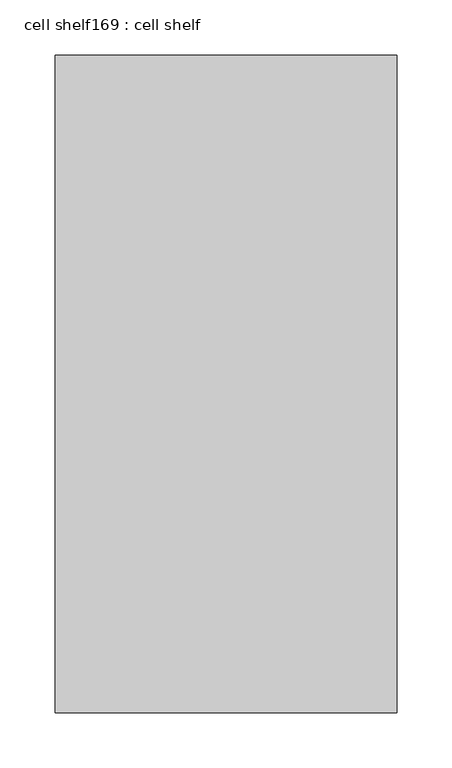
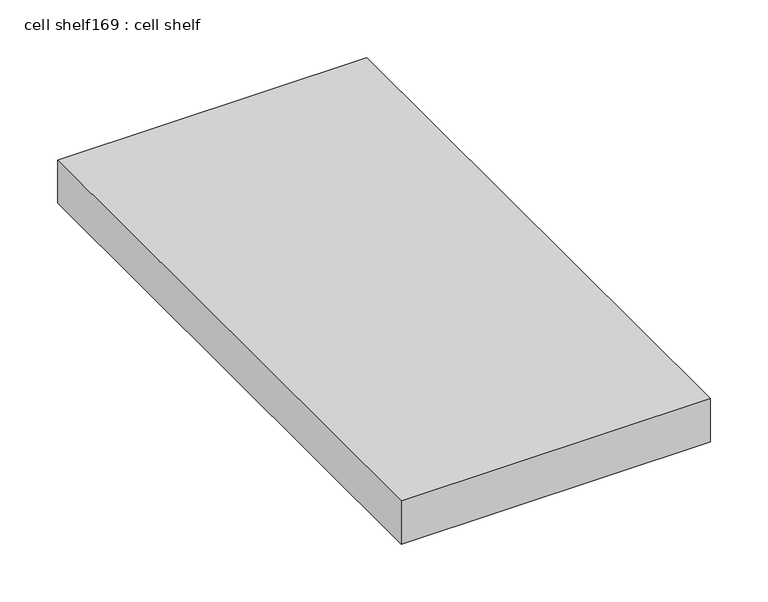
"""IFC4 building model written with IfcOpenShell, lengths in millimetres: proxy geometry, cell shelf169 : cell shelf."""

import ifcopenshell
import ifcopenshell.guid

model = None  # the IFC model being written
_history = None  # IfcOwnerHistory: only IFC2X3 demands one
_inside = {}  # id of a spatial element -> (the spatial element, [elements in it])
_under = {}  # id of a project, library or spatial element -> (it, [spatial elements below it])
_declared = {}  # id of a project -> (the project, [libraries it declares])
_typed = {}  # id of a type object -> (the type object, [elements of that type])
_made_of = {}  # id of a material, layer set ... -> (it, [elements and type objects made of it])


def new_model(schema):
    """Start an empty IFC model of exactly this schema.

    Asked for "IFC4X3", IfcOpenShell would pick the latest addendum, in which some entities
    have other attributes; the version numbers below select the first issue.
    IFC2X3 requires an IfcOwnerHistory on every rooted entity: one is made here for all.
    """
    global model, _history
    if schema == "IFC4X3":
        model = ifcopenshell.file(schema_version=(4, 3, 0, 0))
    else:
        model = ifcopenshell.file(schema=schema)
    _inside.clear()
    _under.clear()
    _declared.clear()
    _typed.clear()
    _made_of.clear()
    _history = None
    if model.schema == "IFC2X3":
        org = make("IfcOrganization", Name="unknown")
        user = make(
            "IfcPersonAndOrganization",
            ThePerson=make("IfcPerson", FamilyName="unknown"),
            TheOrganization=org,
        )
        app = make(
            "IfcApplication",
            ApplicationDeveloper=org,
            Version="unknown",
            ApplicationFullName="unknown",
            ApplicationIdentifier="unknown",
        )
        _history = make(
            "IfcOwnerHistory",
            OwningUser=user,
            OwningApplication=app,
            ChangeAction="ADDED",
            CreationDate=0,
        )
    return model


def make(cls, **values):
    """One entity of the class cls with the attributes given. An attribute that is None is left unset."""
    return model.create_entity(
        cls, **{name: value for name, value in values.items() if value is not None}
    )


def rooted(cls, **values):
    """An entity with a GlobalId (a new one), such as an element, a storey or a relation."""
    return make(cls, GlobalId=ifcopenshell.guid.new(), OwnerHistory=_history, **values)


def si_unit(unit_type, name, prefix=None):
    """IfcSIUnit, for example si_unit("LENGTHUNIT", "METRE", prefix="MILLI")."""
    return make("IfcSIUnit", UnitType=unit_type, Prefix=prefix, Name=name)


def assignment(units):
    """IfcUnitAssignment: the units of a project."""
    return None if units is None else make("IfcUnitAssignment", Units=units)


def point(xyz):
    """IfcCartesianPoint."""
    return None if xyz is None else make("IfcCartesianPoint", Coordinates=xyz)


def direction(xyz):
    """IfcDirection."""
    return None if xyz is None else make("IfcDirection", DirectionRatios=xyz)


def frame(location, z_axis=None, x_axis=None):
    """IfcAxis2Placement3D, a coordinate frame: its origin and axes. An axis left out is left unset."""
    return make(
        "IfcAxis2Placement3D",
        Location=point(location),
        Axis=direction(z_axis),
        RefDirection=direction(x_axis),
    )


def origin():
    """The frame at (0, 0, 0) with its axes left unset."""
    return frame((0.0, 0.0, 0.0))


def place(relative_to, where):
    """IfcLocalPlacement: puts the frame where relative to a parent placement (None: the world)."""
    return make(
        "IfcLocalPlacement", PlacementRelTo=relative_to, RelativePlacement=where
    )


def context(
    kind, dimensions, precision=None, world=None, true_north=None, identifier=None
):
    """IfcGeometricRepresentationContext, for example the 3D "Model" context."""
    return make(
        "IfcGeometricRepresentationContext",
        ContextIdentifier=identifier,
        ContextType=kind,
        CoordinateSpaceDimension=dimensions,
        Precision=precision,
        WorldCoordinateSystem=world,
        TrueNorth=true_north,
    )


def project(units=None, contexts=None):
    """IfcProject with its units and contexts."""
    return rooted(
        "IfcProject",
        Name="project",
        RepresentationContexts=contexts,
        UnitsInContext=assignment(units),
    )


def spatial(cls, under=None, at=None, **own):
    """A site, building, storey or space (cls), placed at a placement, below another one or the project."""
    s = rooted(cls, ObjectPlacement=at, **own)
    if under is not None:
        _under.setdefault(under.id(), (under, []))[1].append(s)
    return s


def polyline(points):
    """IfcPolyline through the points."""
    return make("IfcPolyline", Points=[point(p) for p in points])


def outline(outer, holes=None, kind="AREA"):
    """IfcArbitraryClosedProfileDef: a profile drawn as a closed curve; with holes, ...WithVoids."""
    if holes is None:
        return make("IfcArbitraryClosedProfileDef", ProfileType=kind, OuterCurve=outer)
    return make(
        "IfcArbitraryProfileDefWithVoids",
        ProfileType=kind,
        OuterCurve=outer,
        InnerCurves=holes,
    )


def extrude(swept, where, along, depth):
    """IfcExtrudedAreaSolid: the profile swept, set in the frame where, extruded along a direction by depth."""
    return make(
        "IfcExtrudedAreaSolid",
        SweptArea=swept,
        Position=where,
        ExtrudedDirection=direction(along),
        Depth=depth,
    )


def shape(context_of_items, identifier, shape_type, items):
    """IfcShapeRepresentation: the items that make up one representation, for example the "Body"."""
    return make(
        "IfcShapeRepresentation",
        ContextOfItems=context_of_items,
        RepresentationIdentifier=identifier,
        RepresentationType=shape_type,
        Items=items,
    )


def source(mapping_origin, context_of_items, identifier, shape_type, items):
    """IfcRepresentationMap: a shape defined once, which mapped items show again and again."""
    return make(
        "IfcRepresentationMap",
        MappingOrigin=mapping_origin,
        MappedRepresentation=shape(context_of_items, identifier, shape_type, items),
    )


def transform(
    local_origin,
    x_axis=None,
    y_axis=None,
    z_axis=None,
    scale=None,
    scale2=None,
    scale3=None,
    uniform=True,
):
    """IfcCartesianTransformationOperator3D, or its non-uniform kind. x_axis, y_axis, z_axis: its Axis1, 2, 3."""
    if uniform:
        return make(
            "IfcCartesianTransformationOperator3D",
            Axis1=direction(x_axis),
            Axis2=direction(y_axis),
            LocalOrigin=point(local_origin),
            Scale=scale,
            Axis3=direction(z_axis),
        )
    return make(
        "IfcCartesianTransformationOperator3DnonUniform",
        Axis1=direction(x_axis),
        Axis2=direction(y_axis),
        LocalOrigin=point(local_origin),
        Scale=scale,
        Axis3=direction(z_axis),
        Scale2=scale2,
        Scale3=scale3,
    )


def mapped(mapping_source, mapping_target):
    """IfcMappedItem: shows the shape of a source again, moved by a transform."""
    return make(
        "IfcMappedItem", MappingSource=mapping_source, MappingTarget=mapping_target
    )


def made_of(thing, what):
    """Note that an element or type object is made of a material, layer set ...; save() writes the relation."""
    if what is not None:
        _made_of.setdefault(what.id(), (what, []))[1].append(thing)
    return thing


def element(
    cls,
    number,
    at=None,
    inside=None,
    cuts=None,
    type_object=None,
    material=None,
    context=None,
    identifier="Body",
    shape_type=None,
    held_by="IfcProductDefinitionShape",
    body=None,
    shapes=None,
    **own,
):
    """One element of the class cls, such as IfcWall. Its Tag is "e" and its number.

    at: its placement. inside: the storey or other place that contains it. cuts: it is an
    opening in that element (IfcRelVoidsElement). A single representation is given by context,
    identifier, shape_type and body (its items); several are given by shapes. held_by: the class
    of the entity that holds the representations. save() writes the other relations.
    """
    e = rooted(cls, Tag="e%d" % number, ObjectPlacement=at, **own)
    if body is not None:
        shapes = [shape(context, identifier, shape_type, body)]
    if shapes is not None:
        e.Representation = make(held_by, Representations=shapes)
    if inside is not None:
        _inside.setdefault(inside.id(), (inside, []))[1].append(e)
    if cuts is not None:
        rooted(
            "IfcRelVoidsElement", RelatingBuildingElement=cuts, RelatedOpeningElement=e
        )
    if type_object is not None:
        _typed.setdefault(type_object.id(), (type_object, []))[1].append(e)
    return made_of(e, material)


def aggregate(whole, parts):
    """IfcRelAggregates: a whole, such as a stair, and the parts it consists of."""
    return rooted("IfcRelAggregates", RelatingObject=whole, RelatedObjects=parts)


def save(model, path):
    """Write the relations noted so far, then the file.

    IfcRelAggregates (storeys below a building ...), IfcRelContainedInSpatialStructure (elements
    in a storey), IfcRelDefinesByType, IfcRelAssociatesMaterial and IfcRelDeclares: one each for
    every whole, place, type object, material and project.
    """
    for whole, parts in _under.values():
        aggregate(whole, parts)
    for where, things in _inside.values():
        rooted(
            "IfcRelContainedInSpatialStructure",
            RelatedElements=things,
            RelatingStructure=where,
        )
    for kind, things in _typed.values():
        rooted("IfcRelDefinesByType", RelatedObjects=things, RelatingType=kind)
    for what, things in _made_of.values():
        rooted("IfcRelAssociatesMaterial", RelatedObjects=things, RelatingMaterial=what)
    for by, libraries in _declared.values():
        rooted("IfcRelDeclares", RelatingContext=by, RelatedDefinitions=libraries)
    model.write(path)


def cell_shelf169_cell_shelf_9e3e465c(model_context):
    return source(origin(), model_context, "Body", "SweptSolid", [
        extrude(outline(polyline([(-240850.5451094, -29980.3417641), (-240850.5451094, -30575.4281598), (-241159.8929059, -30575.4281598), (-241159.8929059, -29980.3417641), (-240850.5451094, -29980.3417641)])), frame((0.0, 0.0, 1320.0941517), z_axis=(0.0, 0.0, 1.0), x_axis=(1.0, 0.0, 0.0)), (0.0, 0.0, 1.0), 45.8133004),
    ])


if __name__ == "__main__":
    model = new_model("IFC4")
    model_context = context("Model", 3, world=origin())
    ifc_project = project(units=[si_unit("LENGTHUNIT", "METRE", prefix="MILLI")], contexts=[model_context])
    site = spatial("IfcSite", under=ifc_project)
    building = spatial("IfcBuilding", under=site)
    placement = place(None, origin())
    cell_shelf169_cell_shelf_shape = cell_shelf169_cell_shelf_9e3e465c(model_context)
    element("IfcBuildingElementProxy", 1, Name="cell shelf169 : cell shelf", ObjectType="cell shelf169 : cell shelf", at=placement, inside=building, context=model_context, shape_type="MappedRepresentation", body=[
        mapped(cell_shelf169_cell_shelf_shape, transform((0.0, 0.0, 0.0), x_axis=(1.0, 0.0, 0.0), y_axis=(0.0, 1.0, 0.0), z_axis=(0.0, 0.0, 1.0))),
    ])
    save(model, "model.ifc")
